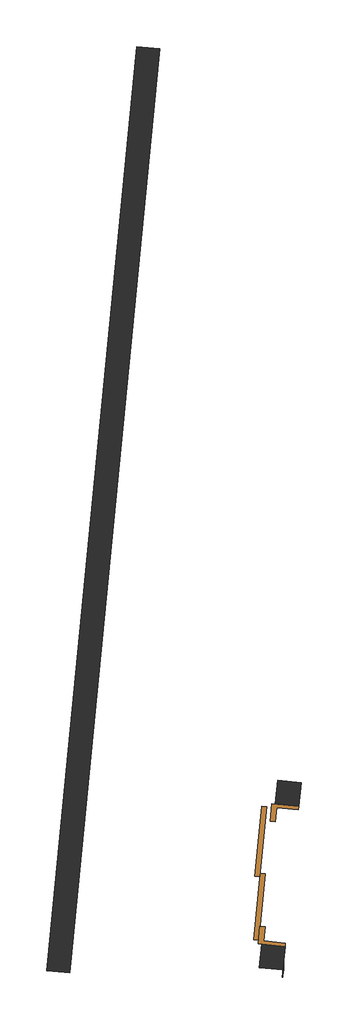
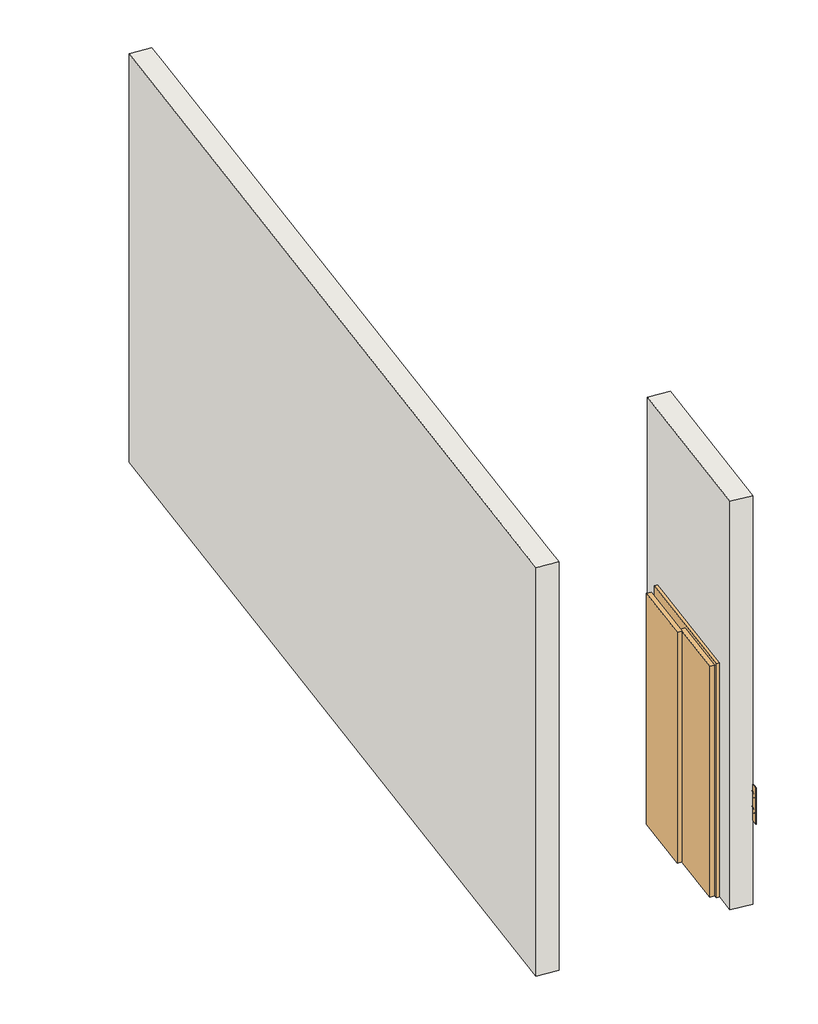
# One storey, part 5 of 18: 2 walls, 1 door.
"""IFC4 building model written with IfcOpenShell, lengths in millimetres."""

import ifcopenshell
import ifcopenshell.guid

model = None  # the IFC model being written
_history = None  # IfcOwnerHistory: only IFC2X3 demands one
_inside = {}  # id of a spatial element -> (the spatial element, [elements in it])
_under = {}  # id of a project, library or spatial element -> (it, [spatial elements below it])
_declared = {}  # id of a project -> (the project, [libraries it declares])
_typed = {}  # id of a type object -> (the type object, [elements of that type])
_made_of = {}  # id of a material, layer set ... -> (it, [elements and type objects made of it])


def new_model(schema):
    """Start an empty IFC model of exactly this schema.

    Asked for "IFC4X3", IfcOpenShell would pick the latest addendum, in which some entities
    have other attributes; the version numbers below select the first issue.
    IFC2X3 requires an IfcOwnerHistory on every rooted entity: one is made here for all.
    """
    global model, _history
    if schema == "IFC4X3":
        model = ifcopenshell.file(schema_version=(4, 3, 0, 0))
    else:
        model = ifcopenshell.file(schema=schema)
    _inside.clear()
    _under.clear()
    _declared.clear()
    _typed.clear()
    _made_of.clear()
    _history = None
    if model.schema == "IFC2X3":
        org = make("IfcOrganization", Name="unknown")
        user = make(
            "IfcPersonAndOrganization",
            ThePerson=make("IfcPerson", FamilyName="unknown"),
            TheOrganization=org,
        )
        app = make(
            "IfcApplication",
            ApplicationDeveloper=org,
            Version="unknown",
            ApplicationFullName="unknown",
            ApplicationIdentifier="unknown",
        )
        _history = make(
            "IfcOwnerHistory",
            OwningUser=user,
            OwningApplication=app,
            ChangeAction="ADDED",
            CreationDate=0,
        )
    return model


def make(cls, **values):
    """One entity of the class cls with the attributes given. An attribute that is None is left unset."""
    return model.create_entity(
        cls, **{name: value for name, value in values.items() if value is not None}
    )


def rooted(cls, **values):
    """An entity with a GlobalId (a new one), such as an element, a storey or a relation."""
    return make(cls, GlobalId=ifcopenshell.guid.new(), OwnerHistory=_history, **values)


def si_unit(unit_type, name, prefix=None):
    """IfcSIUnit, for example si_unit("LENGTHUNIT", "METRE", prefix="MILLI")."""
    return make("IfcSIUnit", UnitType=unit_type, Prefix=prefix, Name=name)


def assignment(units):
    """IfcUnitAssignment: the units of a project."""
    return None if units is None else make("IfcUnitAssignment", Units=units)


def point(xyz):
    """IfcCartesianPoint."""
    return None if xyz is None else make("IfcCartesianPoint", Coordinates=xyz)


def direction(xyz):
    """IfcDirection."""
    return None if xyz is None else make("IfcDirection", DirectionRatios=xyz)


def frame(location, z_axis=None, x_axis=None):
    """IfcAxis2Placement3D, a coordinate frame: its origin and axes. An axis left out is left unset."""
    return make(
        "IfcAxis2Placement3D",
        Location=point(location),
        Axis=direction(z_axis),
        RefDirection=direction(x_axis),
    )


def frame_2d(location, x_axis=None):
    """IfcAxis2Placement2D, a coordinate frame in the plane: its origin and x axis."""
    return make(
        "IfcAxis2Placement2D", Location=point(location), RefDirection=direction(x_axis)
    )


def origin():
    """The frame at (0, 0, 0) with its axes left unset."""
    return frame((0.0, 0.0, 0.0))


def origin_with_axes():
    """The frame at (0, 0, 0) with the z axis (0, 0, 1) and the x axis (1, 0, 0) written out."""
    return frame((0.0, 0.0, 0.0), z_axis=(0.0, 0.0, 1.0), x_axis=(1.0, 0.0, 0.0))


def place(relative_to, where):
    """IfcLocalPlacement: puts the frame where relative to a parent placement (None: the world)."""
    return make(
        "IfcLocalPlacement", PlacementRelTo=relative_to, RelativePlacement=where
    )


def context(
    kind, dimensions, precision=None, world=None, true_north=None, identifier=None
):
    """IfcGeometricRepresentationContext, for example the 3D "Model" context."""
    return make(
        "IfcGeometricRepresentationContext",
        ContextIdentifier=identifier,
        ContextType=kind,
        CoordinateSpaceDimension=dimensions,
        Precision=precision,
        WorldCoordinateSystem=world,
        TrueNorth=true_north,
    )


def project(units=None, contexts=None):
    """IfcProject with its units and contexts."""
    return rooted(
        "IfcProject",
        Name="project",
        RepresentationContexts=contexts,
        UnitsInContext=assignment(units),
    )


def spatial(cls, under=None, at=None, **own):
    """A site, building, storey or space (cls), placed at a placement, below another one or the project."""
    s = rooted(cls, ObjectPlacement=at, **own)
    if under is not None:
        _under.setdefault(under.id(), (under, []))[1].append(s)
    return s


def polyline(points):
    """IfcPolyline through the points."""
    return make("IfcPolyline", Points=[point(p) for p in points])


def circle_curve(where, radius):
    """IfcCircle in the frame where."""
    return make("IfcCircle", Position=where, Radius=radius)


def trimmed(basis, trim1, trim2, sense, master):
    """IfcTrimmedCurve: the piece of a basis curve between two trims."""
    return make(
        "IfcTrimmedCurve",
        BasisCurve=basis,
        Trim1=trim1,
        Trim2=trim2,
        SenseAgreement=sense,
        MasterRepresentation=master,
    )


def segment(curve, same_sense, transition):
    """IfcCompositeCurveSegment."""
    return make(
        "IfcCompositeCurveSegment",
        Transition=transition,
        SameSense=same_sense,
        ParentCurve=curve,
    )


def composite_curve(segments, self_intersect=None):
    """IfcCompositeCurve: segments joined end to end."""
    return make("IfcCompositeCurve", Segments=segments, SelfIntersect=self_intersect)


def outline(outer, holes=None, kind="AREA"):
    """IfcArbitraryClosedProfileDef: a profile drawn as a closed curve; with holes, ...WithVoids."""
    if holes is None:
        return make("IfcArbitraryClosedProfileDef", ProfileType=kind, OuterCurve=outer)
    return make(
        "IfcArbitraryProfileDefWithVoids",
        ProfileType=kind,
        OuterCurve=outer,
        InnerCurves=holes,
    )


def extrude(swept, where, along, depth):
    """IfcExtrudedAreaSolid: the profile swept, set in the frame where, extruded along a direction by depth."""
    return make(
        "IfcExtrudedAreaSolid",
        SweptArea=swept,
        Position=where,
        ExtrudedDirection=direction(along),
        Depth=depth,
    )


def faces_of(points, faces, orient=None, outer=None):
    """IfcFace entities. A face is a list of loops; a loop is a list of indices into points, from 0.

    orient and outer hold one flag for each loop. By default every Orientation is true, the
    first loop of a face is its IfcFaceOuterBound and the others are IfcFaceBound.
    """
    made = []
    for i, loops in enumerate(faces):
        bounds = []
        for j, loop in enumerate(loops):
            is_outer = j == 0 if outer is None else outer[i][j]
            bounds.append(
                make(
                    "IfcFaceOuterBound" if is_outer else "IfcFaceBound",
                    Bound=make("IfcPolyLoop", Polygon=[points[k] for k in loop]),
                    Orientation=True if orient is None else orient[i][j],
                )
            )
        made.append(make("IfcFace", Bounds=bounds))
    return made


def faceted_brep(points, faces, orient=None, outer=None, voids=None):
    """IfcFacetedBrep: a solid bounded by flat faces; with voids (closed shells), ...WithVoids."""
    shared = [point(p) for p in points]
    hull = make("IfcClosedShell", CfsFaces=faces_of(shared, faces, orient, outer))
    if voids is None:
        return make("IfcFacetedBrep", Outer=hull)
    return make(
        "IfcFacetedBrepWithVoids",
        Outer=hull,
        Voids=[
            make(cls, CfsFaces=faces_of(shared, fs, o, b)) for cls, fs, o, b in voids
        ],
    )


def shape(context_of_items, identifier, shape_type, items):
    """IfcShapeRepresentation: the items that make up one representation, for example the "Body"."""
    return make(
        "IfcShapeRepresentation",
        ContextOfItems=context_of_items,
        RepresentationIdentifier=identifier,
        RepresentationType=shape_type,
        Items=items,
    )


def source(mapping_origin, context_of_items, identifier, shape_type, items):
    """IfcRepresentationMap: a shape defined once, which mapped items show again and again."""
    return make(
        "IfcRepresentationMap",
        MappingOrigin=mapping_origin,
        MappedRepresentation=shape(context_of_items, identifier, shape_type, items),
    )


def transform(
    local_origin,
    x_axis=None,
    y_axis=None,
    z_axis=None,
    scale=None,
    scale2=None,
    scale3=None,
    uniform=True,
):
    """IfcCartesianTransformationOperator3D, or its non-uniform kind. x_axis, y_axis, z_axis: its Axis1, 2, 3."""
    if uniform:
        return make(
            "IfcCartesianTransformationOperator3D",
            Axis1=direction(x_axis),
            Axis2=direction(y_axis),
            LocalOrigin=point(local_origin),
            Scale=scale,
            Axis3=direction(z_axis),
        )
    return make(
        "IfcCartesianTransformationOperator3DnonUniform",
        Axis1=direction(x_axis),
        Axis2=direction(y_axis),
        LocalOrigin=point(local_origin),
        Scale=scale,
        Axis3=direction(z_axis),
        Scale2=scale2,
        Scale3=scale3,
    )


def mapped(mapping_source, mapping_target):
    """IfcMappedItem: shows the shape of a source again, moved by a transform."""
    return make(
        "IfcMappedItem", MappingSource=mapping_source, MappingTarget=mapping_target
    )


def made_of(thing, what):
    """Note that an element or type object is made of a material, layer set ...; save() writes the relation."""
    if what is not None:
        _made_of.setdefault(what.id(), (what, []))[1].append(thing)
    return thing


def element(
    cls,
    number,
    at=None,
    inside=None,
    cuts=None,
    type_object=None,
    material=None,
    context=None,
    identifier="Body",
    shape_type=None,
    held_by="IfcProductDefinitionShape",
    body=None,
    shapes=None,
    **own,
):
    """One element of the class cls, such as IfcWall. Its Tag is "e" and its number.

    at: its placement. inside: the storey or other place that contains it. cuts: it is an
    opening in that element (IfcRelVoidsElement). A single representation is given by context,
    identifier, shape_type and body (its items); several are given by shapes. held_by: the class
    of the entity that holds the representations. save() writes the other relations.
    """
    e = rooted(cls, Tag="e%d" % number, ObjectPlacement=at, **own)
    if body is not None:
        shapes = [shape(context, identifier, shape_type, body)]
    if shapes is not None:
        e.Representation = make(held_by, Representations=shapes)
    if inside is not None:
        _inside.setdefault(inside.id(), (inside, []))[1].append(e)
    if cuts is not None:
        rooted(
            "IfcRelVoidsElement", RelatingBuildingElement=cuts, RelatedOpeningElement=e
        )
    if type_object is not None:
        _typed.setdefault(type_object.id(), (type_object, []))[1].append(e)
    return made_of(e, material)


def aggregate(whole, parts):
    """IfcRelAggregates: a whole, such as a stair, and the parts it consists of."""
    return rooted("IfcRelAggregates", RelatingObject=whole, RelatedObjects=parts)


def save(model, path):
    """Write the relations noted so far, then the file.

    IfcRelAggregates (storeys below a building ...), IfcRelContainedInSpatialStructure (elements
    in a storey), IfcRelDefinesByType, IfcRelAssociatesMaterial and IfcRelDeclares: one each for
    every whole, place, type object, material and project.
    """
    for whole, parts in _under.values():
        aggregate(whole, parts)
    for where, things in _inside.values():
        rooted(
            "IfcRelContainedInSpatialStructure",
            RelatedElements=things,
            RelatingStructure=where,
        )
    for kind, things in _typed.values():
        rooted("IfcRelDefinesByType", RelatedObjects=things, RelatingType=kind)
    for what, things in _made_of.values():
        rooted("IfcRelAssociatesMaterial", RelatedObjects=things, RelatingMaterial=what)
    for by, libraries in _declared.values():
        rooted("IfcRelDeclares", RelatingContext=by, RelatedDefinitions=libraries)
    model.write(path)


def plane_surface(at):
    """IfcPlane: the flat surface through the origin of the frame at, square to its z axis."""
    return make("IfcPlane", Position=at)


def cylinder_surface(at, radius):
    """IfcCylindricalSurface: all points at the distance radius from the z axis of the frame at."""
    return make("IfcCylindricalSurface", Position=at, Radius=radius)


def revolved_surface(curve, axis_point, axis_direction):
    """IfcSurfaceOfRevolution: the curve turned about the line through axis_point along axis_direction."""
    return make(
        "IfcSurfaceOfRevolution",
        SweptCurve=make("IfcArbitraryOpenProfileDef", ProfileType="CURVE", Curve=curve),
        AxisPosition=make("IfcAxis1Placement", Location=point(axis_point), Axis=direction(axis_direction)),
    )


def advanced_brep(points, edges, surfaces, faces):
    """IfcAdvancedBrep: a solid bounded by faces that lie on surfaces and meet in shared edges.

    An edge is (start, end): straight between two places in points (the first is 0);
    or (start, end, curve); or (start, end, curve, False) where it runs against its curve.
    A face is (place in surfaces, loops), or (place, loops, False) where it looks against
    its surface's normal. A loop lists edges by number (the first is 1), with a minus sign
    where the edge is run from its end to its start. The first loop is the outer one.
    """
    corners = [point(p) for p in points]
    vertices = [make("IfcVertexPoint", VertexGeometry=c) for c in corners]
    made = []
    for start, end, *more in edges:
        made.append(
            make(
                "IfcEdgeCurve",
                EdgeStart=vertices[start],
                EdgeEnd=vertices[end],
                EdgeGeometry=more[0] if more else make("IfcPolyline", Points=[corners[start], corners[end]]),
                SameSense=more[1] if len(more) > 1 else True,
            )
        )
    hull = []
    for where, loops, *sense in faces:
        bounds = []
        for j, loop in enumerate(loops):
            ring = [make("IfcOrientedEdge", EdgeElement=made[abs(k) - 1], Orientation=k > 0) for k in loop]
            bounds.append(
                make(
                    "IfcFaceOuterBound" if j == 0 else "IfcFaceBound",
                    Bound=make("IfcEdgeLoop", EdgeList=ring),
                    Orientation=True,
                )
            )
        hull.append(make("IfcAdvancedFace", Bounds=bounds, FaceSurface=surfaces[where], SameSense=sense[0] if sense else True))
    return make("IfcAdvancedBrep", Outer=make("IfcClosedShell", CfsFaces=hull))


def side_opening_elevatorlift_door_with_call_buttons_9478_12000_64bb0ec5(model_context):
    return source(origin(), model_context, "Body", "SolidModel", [
        advanced_brep(
        [(-831.75, -106.35, 1076.2), (-768.25, -106.35, 1076.2), (-830.1625, -106.35, 1076.2), (-769.8375, -106.35, 1076.2), (-736.5, -100.0, 1177.8), (-736.5, -100.0, 822.2), (-863.5, -100.0, 822.2), (-863.5, -100.0, 1177.8), (-831.75, -103.175, 1076.2), (-768.25, -103.175, 1076.2), (-830.1625, -103.175, 1076.2), (-769.8375, -103.175, 1076.2), (-736.5, -103.175, 1177.8), (-863.5, -103.175, 1177.8), (-863.5, -103.175, 822.2), (-736.5, -103.175, 822.2), (-768.25, -103.175, 923.8), (-831.75, -103.175, 923.8), (-769.8375, -103.175, 923.8), (-830.1625, -103.175, 923.8), (-831.75, -106.35, 923.8), (-768.25, -106.35, 923.8), (-830.1625, -106.35, 923.8), (-769.8375, -106.35, 923.8)],
        [
            (0, 1, circle_curve(frame((-800.0, -106.35, 1076.2), z_axis=(0.0, -1.0, 0.0), x_axis=(1.0, 0.0, 0.0)), 31.75)),
            (1, 0, circle_curve(frame((-800.0, -106.35, 1076.2), z_axis=(0.0, -1.0, 0.0), x_axis=(1.0, 0.0, 0.0)), 31.75)),
            (2, 3, circle_curve(frame((-800.0, -106.35, 1076.2), z_axis=(0.0, 1.0, 0.0), x_axis=(1.0, 0.0, 0.0)), 30.1625)),
            (3, 2, circle_curve(frame((-800.0, -106.35, 1076.2), z_axis=(0.0, 1.0, 0.0), x_axis=(1.0, 0.0, 0.0)), 30.1625)),
            (4, 5),
            (5, 6),
            (6, 7),
            (7, 4),
            (0, 8),
            (8, 9, circle_curve(frame((-800.0, -103.175, 1076.2), z_axis=(0.0, -1.0, 0.0), x_axis=(1.0, 0.0, 0.0)), 31.75)),
            (9, 1),
            (9, 8, circle_curve(frame((-800.0, -103.175, 1076.2), z_axis=(0.0, -1.0, 0.0), x_axis=(1.0, 0.0, 0.0)), 31.75)),
            (2, 10),
            (10, 11, circle_curve(frame((-800.0, -103.175, 1076.2), z_axis=(0.0, 1.0, 0.0), x_axis=(1.0, 0.0, 0.0)), 30.1625)),
            (11, 3),
            (11, 10, circle_curve(frame((-800.0, -103.175, 1076.2), z_axis=(0.0, 1.0, 0.0), x_axis=(1.0, 0.0, 0.0)), 30.1625)),
            (12, 13),
            (13, 14),
            (14, 15),
            (15, 12),
            (16, 17, circle_curve(frame((-800.0, -103.175, 923.8), z_axis=(0.0, 1.0, 0.0), x_axis=(1.0, 0.0, 0.0)), 31.75)),
            (17, 16, circle_curve(frame((-800.0, -103.175, 923.8), z_axis=(0.0, 1.0, 0.0), x_axis=(1.0, 0.0, 0.0)), 31.75)),
            (18, 19, circle_curve(frame((-800.0, -103.175, 923.8), z_axis=(0.0, -1.0, 0.0), x_axis=(1.0, 0.0, 0.0)), 30.1625)),
            (19, 18, circle_curve(frame((-800.0, -103.175, 923.8), z_axis=(0.0, -1.0, 0.0), x_axis=(1.0, 0.0, 0.0)), 30.1625)),
            (12, 4),
            (7, 13),
            (6, 14),
            (5, 15),
            (20, 21, circle_curve(frame((-800.0, -106.35, 923.8), z_axis=(0.0, -1.0, 0.0), x_axis=(1.0, 0.0, 0.0)), 31.75)),
            (21, 20, circle_curve(frame((-800.0, -106.35, 923.8), z_axis=(0.0, -1.0, 0.0), x_axis=(1.0, 0.0, 0.0)), 31.75)),
            (22, 23, circle_curve(frame((-800.0, -106.35, 923.8), z_axis=(0.0, 1.0, 0.0), x_axis=(1.0, 0.0, 0.0)), 30.1625)),
            (23, 22, circle_curve(frame((-800.0, -106.35, 923.8), z_axis=(0.0, 1.0, 0.0), x_axis=(1.0, 0.0, 0.0)), 30.1625)),
            (20, 17),
            (16, 21),
            (22, 19),
            (18, 23),
        ],
        [
            plane_surface(frame((-768.25, -106.35, 1076.2), z_axis=(0.0, -1.0, 0.0), x_axis=(0.0, 0.0, 1.0))),
            plane_surface(frame((-768.25, -100.0, 1076.2), z_axis=(0.0, 1.0, 0.0), x_axis=(0.0, 0.0, -1.0))),
            cylinder_surface(frame((-800.0, -100.0, 1076.2), z_axis=(0.0, -1.0, 0.0), x_axis=(1.0, 0.0, 0.0)), 31.75),
            revolved_surface(polyline([(-769.8375, -103.175, 1076.2), (-769.8375, -106.35, 1076.2)]), (-800.0, -100.0, 1076.2), (0.0, 1.0, 0.0)),
            plane_surface(frame((-863.5, -103.175, 1177.8), z_axis=(0.0, -1.0, 0.0), x_axis=(-1.0, 0.0, 0.0))),
            plane_surface(frame((-736.5, -103.175, 1177.8), z_axis=(0.0, 0.0, 1.0), x_axis=(0.0, 1.0, 0.0))),
            plane_surface(frame((-863.5, -103.175, 1177.8), z_axis=(-1.0, 0.0, 0.0), x_axis=(0.0, 1.0, 0.0))),
            plane_surface(frame((-863.5, -103.175, 822.2), z_axis=(0.0, 0.0, -1.0), x_axis=(0.0, 1.0, 0.0))),
            plane_surface(frame((-736.5, -103.175, 822.2), z_axis=(1.0, 0.0, 0.0), x_axis=(0.0, 1.0, 0.0))),
            plane_surface(frame((-768.25, -106.35, 923.8), z_axis=(0.0, -1.0, 0.0), x_axis=(0.0, 0.0, 1.0))),
            cylinder_surface(frame((-800.0, -100.0, 923.8), z_axis=(0.0, -1.0, 0.0), x_axis=(1.0, 0.0, 0.0)), 31.75),
            revolved_surface(polyline([(-769.8375, -103.175, 923.8), (-769.8375, -106.35, 923.8)]), (-800.0, -100.0, 923.8), (0.0, 1.0, 0.0)),
        ],
        [
            (0, [[1, 2], [3, 4]]),
            (1, [[5, 6, 7, 8]]),
            (2, [[-1, 9, 10, 11]]),
            (2, [[-2, -11, 12, -9]]),
            (3, [[-3, 13, 14, 15]]),
            (3, [[-4, -15, 16, -13]]),
            (4, [[-14, -16]]),
            (4, [[17, 18, 19, 20], [-10, -12], [21, 22]]),
            (4, [[23, 24]]),
            (5, [[-17, 25, -8, 26]]),
            (6, [[-18, -26, -7, 27]]),
            (7, [[-19, -27, -6, 28]]),
            (8, [[-20, -28, -5, -25]]),
            (9, [[29, 30], [31, 32]]),
            (10, [[-29, 33, -21, 34]]),
            (10, [[-30, -34, -22, -33]]),
            (11, [[-31, 35, -23, 36]]),
            (11, [[-32, -36, -24, -35]]),
        ],
    ),
        extrude(outline(composite_curve([segment(trimmed(circle_curve(frame_2d((1076.2, -800.0)), 30.1625), [point((1076.2, -830.1625))], [point((1076.2, -769.8375))], False, "CARTESIAN"), True, "CONTINUOUS"), segment(trimmed(circle_curve(frame_2d((1076.2, -800.0)), 30.1625), [point((1076.2, -769.8375))], [point((1076.2, -830.1625))], False, "CARTESIAN"), True, "CONTINUOUS")], self_intersect=False)), frame((0.0, -104.7625, 0.0), z_axis=(0.0, 1.0, 0.0), x_axis=(0.0, 0.0, 1.0)), (0.0, 0.0, 1.0), 4.7625),
        extrude(outline(composite_curve([segment(trimmed(circle_curve(frame_2d((923.8, -800.0)), 30.1625), [point((923.8, -830.1625))], [point((923.8, -769.8375))], False, "CARTESIAN"), True, "CONTINUOUS"), segment(trimmed(circle_curve(frame_2d((923.8, -800.0)), 30.1625), [point((923.8, -769.8375))], [point((923.8, -830.1625))], False, "CARTESIAN"), True, "CONTINUOUS")], self_intersect=False)), frame((0.0, -104.7625, 0.0), z_axis=(0.0, 1.0, 0.0), x_axis=(0.0, 0.0, 1.0)), (0.0, 0.0, 1.0), 4.7625),
        faceted_brep([(-600.0, -100.0, 0.0), (-600.0, 130.0, 0.0), (-450.0, 130.0, 0.0), (-450.0, 85.0, 0.0), (-570.0, 85.0, 0.0), (-570.0, -100.0, 0.0), (-600.0, -100.0, 2290.0), (-600.0, 130.0, 2290.0), (600.0, 130.0, 2290.0), (600.0, 130.0, 0.0), (450.0, 130.0, 0.0), (450.0, 130.0, 2140.0), (-450.0, 130.0, 2140.0), (-450.0, 85.0, 2140.0), (450.0, 85.0, 2140.0), (450.0, 85.0, 0.0), (570.0, 85.0, 0.0), (570.0, 85.0, 2260.0), (-570.0, 85.0, 2260.0), (-570.0, -100.0, 2260.0), (570.0, -100.0, 2260.0), (570.0, -100.0, 0.0), (600.0, -100.0, 0.0), (600.0, -100.0, 2290.0)], [[[0, 1, 2, 3, 4, 5]], [[1, 0, 6, 7]], [[2, 1, 7, 8, 9, 10, 11, 12]], [[3, 2, 12, 13]], [[4, 3, 13, 14, 15, 16, 17, 18]], [[5, 4, 18, 19]], [[0, 5, 19, 20, 21, 22, 23, 6]], [[8, 23, 22, 9]], [[22, 21, 16, 15, 10, 9]], [[14, 11, 10, 15]], [[20, 17, 16, 21]], [[7, 6, 23, 8]], [[13, 12, 11, 14]], [[19, 18, 17, 20]]]),
        extrude(outline(polyline([(570.0, 215.0), (570.0, 172.5), (-30.0, 172.5), (-30.0, 215.0), (570.0, 215.0)])), origin_with_axes(), (0.0, 0.0, 1.0), 2260.0),
        extrude(outline(polyline([(0.0, 172.5), (0.0, 130.0), (-570.0, 130.0), (-570.0, 172.5), (0.0, 172.5)])), origin_with_axes(), (0.0, 0.0, 1.0), 2260.0),
    ])


model = new_model("IFC4")

# Units and contexts
model_context = context("Model", 3, world=origin())
ifc_project = project(units=[si_unit("LENGTHUNIT", "METRE", prefix="MILLI")], contexts=[model_context])

# Site, building, storey
site = spatial("IfcSite", under=ifc_project)
building = spatial("IfcBuilding", under=site)
storey = spatial("IfcBuildingStorey", under=building, Elevation=12680.0)

# Door
placement = place(None, origin())
side_opening_elevatorlift_door_with_call_buttons_9478_12000_shape = side_opening_elevatorlift_door_with_call_buttons_9478_12000_64bb0ec5(model_context)
element("IfcDoor", 1, ObjectType="Side_opening_ElevatorLift_Door_with_Call_buttons_9478 : 12000 x 2290 Opening", at=placement, inside=storey, context=model_context, shape_type="MappedRepresentation", body=[
    mapped(side_opening_elevatorlift_door_with_call_buttons_9478_12000_shape, transform((-285808.8932287, 20854.4354204, 12680.0), x_axis=(0.0968953356883974, 0.9952945764555501, 0.0), y_axis=(-0.9952945764555501, 0.0968953356883974, 0.0), z_axis=(0.0, 0.0, 1.0))),
])

# Walls
element("IfcWall", 2, ObjectType="Generic - 200mm - Filled", at=placement, inside=storey, context=model_context, shape_type="Brep", body=[
    faceted_brep([(-287031.7038941, 27902.6918905, 12680.0), (-287796.8482596, 20043.2419818, 12680.0), (-287796.8482596, 20043.2419818, 16680.0), (-287031.7038941, 27902.6918905, 16680.0), (-286832.6449788, 27883.3128234, 12680.0), (-286832.6449788, 27883.3128234, 16680.0), (-286852.024046, 27684.2539081, 16680.0), (-287403.998673, 22014.4520676, 16680.0), (-287423.3777401, 21815.3931523, 16680.0), (-287578.4102772, 20222.9218299, 16680.0), (-287597.7893443, 20023.8629147, 16680.0), (-287597.7893443, 20023.8629147, 12680.0), (-287578.4102772, 20222.9218299, 12680.0), (-287423.3777401, 21815.3931523, 12680.0), (-287403.998673, 22014.4520676, 12680.0), (-286852.024046, 27684.2539081, 12680.0)], [[[0, 1, 2, 3]], [[4, 5, 6, 7, 8, 9, 10, 11, 12, 13, 14, 15]], [[1, 0, 4, 15, 14, 13, 12, 11]], [[3, 2, 10, 9, 8, 7, 6, 5]], [[2, 1, 11, 10]], [[0, 3, 5, 4]]]),
])
element("IfcWall", 3, ObjectType="Generic - 200mm - Filled", at=placement, inside=storey, context=model_context, shape_type="SweptSolid", body=[
    extrude(outline(polyline([(1600.0, -2290.0), (1600.0, 0.0), (1800.0, 0.0), (1800.0, -4000.0), (200.0, -4000.0), (200.0, 0.0), (400.0, 0.0), (400.0, -2290.0), (1600.0, -2290.0)])), frame((-285806.2591067, 19849.4513104, 12680.0), z_axis=(-0.9952945764555501, 0.0968953356883974, 0.0), x_axis=(0.0968953356883974, 0.9952945764555501, 0.0)), (0.0, 0.0, 1.0), 200.0),
])

save(model, "model.ifc")
